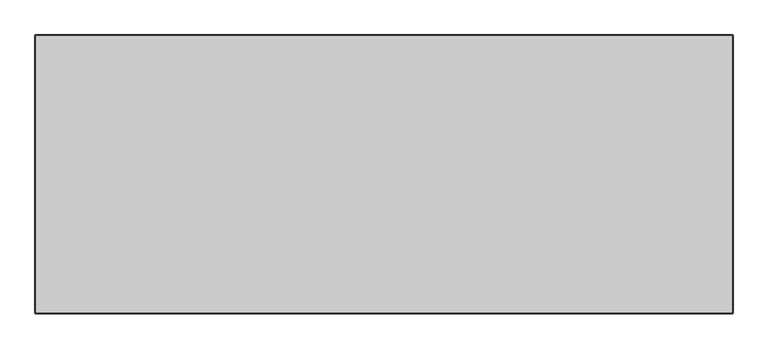
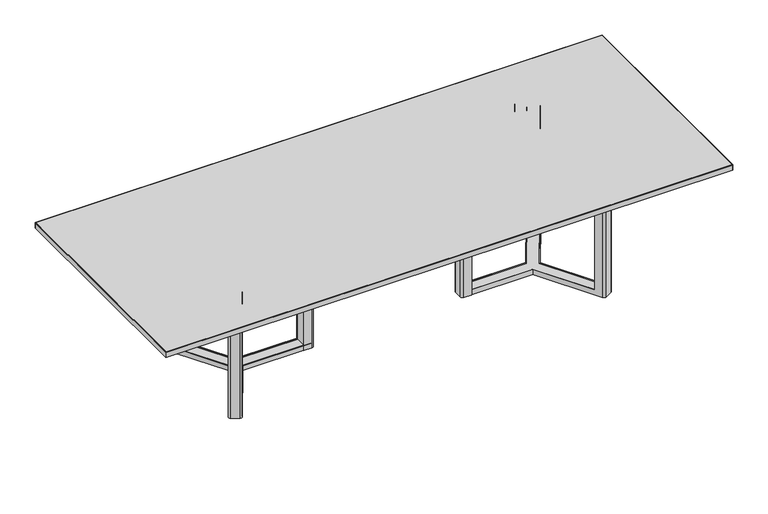
"""IFC4 building model written with IfcOpenShell, lengths in millimetres: furniture geometry."""

import ifcopenshell
import ifcopenshell.guid

model = None  # the IFC model being written
_history = None  # IfcOwnerHistory: only IFC2X3 demands one
_inside = {}  # id of a spatial element -> (the spatial element, [elements in it])
_under = {}  # id of a project, library or spatial element -> (it, [spatial elements below it])
_declared = {}  # id of a project -> (the project, [libraries it declares])
_typed = {}  # id of a type object -> (the type object, [elements of that type])
_made_of = {}  # id of a material, layer set ... -> (it, [elements and type objects made of it])


def new_model(schema):
    """Start an empty IFC model of exactly this schema.

    Asked for "IFC4X3", IfcOpenShell would pick the latest addendum, in which some entities
    have other attributes; the version numbers below select the first issue.
    IFC2X3 requires an IfcOwnerHistory on every rooted entity: one is made here for all.
    """
    global model, _history
    if schema == "IFC4X3":
        model = ifcopenshell.file(schema_version=(4, 3, 0, 0))
    else:
        model = ifcopenshell.file(schema=schema)
    _inside.clear()
    _under.clear()
    _declared.clear()
    _typed.clear()
    _made_of.clear()
    _history = None
    if model.schema == "IFC2X3":
        org = make("IfcOrganization", Name="unknown")
        user = make(
            "IfcPersonAndOrganization",
            ThePerson=make("IfcPerson", FamilyName="unknown"),
            TheOrganization=org,
        )
        app = make(
            "IfcApplication",
            ApplicationDeveloper=org,
            Version="unknown",
            ApplicationFullName="unknown",
            ApplicationIdentifier="unknown",
        )
        _history = make(
            "IfcOwnerHistory",
            OwningUser=user,
            OwningApplication=app,
            ChangeAction="ADDED",
            CreationDate=0,
        )
    return model


def make(cls, **values):
    """One entity of the class cls with the attributes given. An attribute that is None is left unset."""
    return model.create_entity(
        cls, **{name: value for name, value in values.items() if value is not None}
    )


def rooted(cls, **values):
    """An entity with a GlobalId (a new one), such as an element, a storey or a relation."""
    return make(cls, GlobalId=ifcopenshell.guid.new(), OwnerHistory=_history, **values)


def si_unit(unit_type, name, prefix=None):
    """IfcSIUnit, for example si_unit("LENGTHUNIT", "METRE", prefix="MILLI")."""
    return make("IfcSIUnit", UnitType=unit_type, Prefix=prefix, Name=name)


def assignment(units):
    """IfcUnitAssignment: the units of a project."""
    return None if units is None else make("IfcUnitAssignment", Units=units)


def point(xyz):
    """IfcCartesianPoint."""
    return None if xyz is None else make("IfcCartesianPoint", Coordinates=xyz)


def direction(xyz):
    """IfcDirection."""
    return None if xyz is None else make("IfcDirection", DirectionRatios=xyz)


def frame(location, z_axis=None, x_axis=None):
    """IfcAxis2Placement3D, a coordinate frame: its origin and axes. An axis left out is left unset."""
    return make(
        "IfcAxis2Placement3D",
        Location=point(location),
        Axis=direction(z_axis),
        RefDirection=direction(x_axis),
    )


def frame_2d(location, x_axis=None):
    """IfcAxis2Placement2D, a coordinate frame in the plane: its origin and x axis."""
    return make(
        "IfcAxis2Placement2D", Location=point(location), RefDirection=direction(x_axis)
    )


def origin():
    """The frame at (0, 0, 0) with its axes left unset."""
    return frame((0.0, 0.0, 0.0))


def origin_with_axes():
    """The frame at (0, 0, 0) with the z axis (0, 0, 1) and the x axis (1, 0, 0) written out."""
    return frame((0.0, 0.0, 0.0), z_axis=(0.0, 0.0, 1.0), x_axis=(1.0, 0.0, 0.0))


def place(relative_to, where):
    """IfcLocalPlacement: puts the frame where relative to a parent placement (None: the world)."""
    return make(
        "IfcLocalPlacement", PlacementRelTo=relative_to, RelativePlacement=where
    )


def context(
    kind, dimensions, precision=None, world=None, true_north=None, identifier=None
):
    """IfcGeometricRepresentationContext, for example the 3D "Model" context."""
    return make(
        "IfcGeometricRepresentationContext",
        ContextIdentifier=identifier,
        ContextType=kind,
        CoordinateSpaceDimension=dimensions,
        Precision=precision,
        WorldCoordinateSystem=world,
        TrueNorth=true_north,
    )


def project(units=None, contexts=None):
    """IfcProject with its units and contexts."""
    return rooted(
        "IfcProject",
        Name="project",
        RepresentationContexts=contexts,
        UnitsInContext=assignment(units),
    )


def spatial(cls, under=None, at=None, **own):
    """A site, building, storey or space (cls), placed at a placement, below another one or the project."""
    s = rooted(cls, ObjectPlacement=at, **own)
    if under is not None:
        _under.setdefault(under.id(), (under, []))[1].append(s)
    return s


def polyline(points):
    """IfcPolyline through the points."""
    return make("IfcPolyline", Points=[point(p) for p in points])


def circle_curve(where, radius):
    """IfcCircle in the frame where."""
    return make("IfcCircle", Position=where, Radius=radius)


def trimmed(basis, trim1, trim2, sense, master):
    """IfcTrimmedCurve: the piece of a basis curve between two trims."""
    return make(
        "IfcTrimmedCurve",
        BasisCurve=basis,
        Trim1=trim1,
        Trim2=trim2,
        SenseAgreement=sense,
        MasterRepresentation=master,
    )


def segment(curve, same_sense, transition):
    """IfcCompositeCurveSegment."""
    return make(
        "IfcCompositeCurveSegment",
        Transition=transition,
        SameSense=same_sense,
        ParentCurve=curve,
    )


def composite_curve(segments, self_intersect=None):
    """IfcCompositeCurve: segments joined end to end."""
    return make("IfcCompositeCurve", Segments=segments, SelfIntersect=self_intersect)


def outline(outer, holes=None, kind="AREA"):
    """IfcArbitraryClosedProfileDef: a profile drawn as a closed curve; with holes, ...WithVoids."""
    if holes is None:
        return make("IfcArbitraryClosedProfileDef", ProfileType=kind, OuterCurve=outer)
    return make(
        "IfcArbitraryProfileDefWithVoids",
        ProfileType=kind,
        OuterCurve=outer,
        InnerCurves=holes,
    )


def extrude(swept, where, along, depth):
    """IfcExtrudedAreaSolid: the profile swept, set in the frame where, extruded along a direction by depth."""
    return make(
        "IfcExtrudedAreaSolid",
        SweptArea=swept,
        Position=where,
        ExtrudedDirection=direction(along),
        Depth=depth,
    )


def shape(context_of_items, identifier, shape_type, items):
    """IfcShapeRepresentation: the items that make up one representation, for example the "Body"."""
    return make(
        "IfcShapeRepresentation",
        ContextOfItems=context_of_items,
        RepresentationIdentifier=identifier,
        RepresentationType=shape_type,
        Items=items,
    )


def source(mapping_origin, context_of_items, identifier, shape_type, items):
    """IfcRepresentationMap: a shape defined once, which mapped items show again and again."""
    return make(
        "IfcRepresentationMap",
        MappingOrigin=mapping_origin,
        MappedRepresentation=shape(context_of_items, identifier, shape_type, items),
    )


def transform(
    local_origin,
    x_axis=None,
    y_axis=None,
    z_axis=None,
    scale=None,
    scale2=None,
    scale3=None,
    uniform=True,
):
    """IfcCartesianTransformationOperator3D, or its non-uniform kind. x_axis, y_axis, z_axis: its Axis1, 2, 3."""
    if uniform:
        return make(
            "IfcCartesianTransformationOperator3D",
            Axis1=direction(x_axis),
            Axis2=direction(y_axis),
            LocalOrigin=point(local_origin),
            Scale=scale,
            Axis3=direction(z_axis),
        )
    return make(
        "IfcCartesianTransformationOperator3DnonUniform",
        Axis1=direction(x_axis),
        Axis2=direction(y_axis),
        LocalOrigin=point(local_origin),
        Scale=scale,
        Axis3=direction(z_axis),
        Scale2=scale2,
        Scale3=scale3,
    )


def mapped(mapping_source, mapping_target):
    """IfcMappedItem: shows the shape of a source again, moved by a transform."""
    return make(
        "IfcMappedItem", MappingSource=mapping_source, MappingTarget=mapping_target
    )


def made_of(thing, what):
    """Note that an element or type object is made of a material, layer set ...; save() writes the relation."""
    if what is not None:
        _made_of.setdefault(what.id(), (what, []))[1].append(thing)
    return thing


def element(
    cls,
    number,
    at=None,
    inside=None,
    cuts=None,
    type_object=None,
    material=None,
    context=None,
    identifier="Body",
    shape_type=None,
    held_by="IfcProductDefinitionShape",
    body=None,
    shapes=None,
    **own,
):
    """One element of the class cls, such as IfcWall. Its Tag is "e" and its number.

    at: its placement. inside: the storey or other place that contains it. cuts: it is an
    opening in that element (IfcRelVoidsElement). A single representation is given by context,
    identifier, shape_type and body (its items); several are given by shapes. held_by: the class
    of the entity that holds the representations. save() writes the other relations.
    """
    e = rooted(cls, Tag="e%d" % number, ObjectPlacement=at, **own)
    if body is not None:
        shapes = [shape(context, identifier, shape_type, body)]
    if shapes is not None:
        e.Representation = make(held_by, Representations=shapes)
    if inside is not None:
        _inside.setdefault(inside.id(), (inside, []))[1].append(e)
    if cuts is not None:
        rooted(
            "IfcRelVoidsElement", RelatingBuildingElement=cuts, RelatedOpeningElement=e
        )
    if type_object is not None:
        _typed.setdefault(type_object.id(), (type_object, []))[1].append(e)
    return made_of(e, material)


def aggregate(whole, parts):
    """IfcRelAggregates: a whole, such as a stair, and the parts it consists of."""
    return rooted("IfcRelAggregates", RelatingObject=whole, RelatedObjects=parts)


def save(model, path):
    """Write the relations noted so far, then the file.

    IfcRelAggregates (storeys below a building ...), IfcRelContainedInSpatialStructure (elements
    in a storey), IfcRelDefinesByType, IfcRelAssociatesMaterial and IfcRelDeclares: one each for
    every whole, place, type object, material and project.
    """
    for whole, parts in _under.values():
        aggregate(whole, parts)
    for where, things in _inside.values():
        rooted(
            "IfcRelContainedInSpatialStructure",
            RelatedElements=things,
            RelatingStructure=where,
        )
    for kind, things in _typed.values():
        rooted("IfcRelDefinesByType", RelatedObjects=things, RelatingType=kind)
    for what, things in _made_of.values():
        rooted("IfcRelAssociatesMaterial", RelatedObjects=things, RelatingMaterial=what)
    for by, libraries in _declared.values():
        rooted("IfcRelDeclares", RelatingContext=by, RelatedDefinitions=libraries)
    model.write(path)


def plane_surface(at):
    """IfcPlane: the flat surface through the origin of the frame at, square to its z axis."""
    return make("IfcPlane", Position=at)


def cylinder_surface(at, radius):
    """IfcCylindricalSurface: all points at the distance radius from the z axis of the frame at."""
    return make("IfcCylindricalSurface", Position=at, Radius=radius)


def advanced_brep(points, edges, surfaces, faces):
    """IfcAdvancedBrep: a solid bounded by faces that lie on surfaces and meet in shared edges.

    An edge is (start, end): straight between two places in points (the first is 0);
    or (start, end, curve); or (start, end, curve, False) where it runs against its curve.
    A face is (place in surfaces, loops), or (place, loops, False) where it looks against
    its surface's normal. A loop lists edges by number (the first is 1), with a minus sign
    where the edge is run from its end to its start. The first loop is the outer one.
    """
    corners = [point(p) for p in points]
    vertices = [make("IfcVertexPoint", VertexGeometry=c) for c in corners]
    made = []
    for start, end, *more in edges:
        made.append(
            make(
                "IfcEdgeCurve",
                EdgeStart=vertices[start],
                EdgeEnd=vertices[end],
                EdgeGeometry=more[0] if more else make("IfcPolyline", Points=[corners[start], corners[end]]),
                SameSense=more[1] if len(more) > 1 else True,
            )
        )
    hull = []
    for where, loops, *sense in faces:
        bounds = []
        for j, loop in enumerate(loops):
            ring = [make("IfcOrientedEdge", EdgeElement=made[abs(k) - 1], Orientation=k > 0) for k in loop]
            bounds.append(
                make(
                    "IfcFaceOuterBound" if j == 0 else "IfcFaceBound",
                    Bound=make("IfcEdgeLoop", EdgeList=ring),
                    Orientation=True,
                )
            )
        hull.append(make("IfcAdvancedFace", Bounds=bounds, FaceSurface=surfaces[where], SameSense=sense[0] if sense else True))
    return make("IfcAdvancedBrep", Outer=make("IfcClosedShell", CfsFaces=hull))


def furniture_a02de890(model_context):
    return source(origin(), model_context, "Body", "SolidModel", [
        extrude(outline(composite_curve([segment(trimmed(circle_curve(frame_2d((424.9891699, -2.164142)), 84.1373789), [point((424.9890408, -86.3015209))], [point((424.9892991, 81.9732369))], False, "CARTESIAN"), True, "CONTINUOUS"), segment(polyline([(424.9892991, 81.9732369), (480.3805653, 81.9731518)]), True, "CONTINUOUS"), segment(trimmed(circle_curve(frame_2d((480.3805458, 69.2731518)), 12.7), [point((480.3805653, 81.9731518))], [point((493.0805458, 69.2731518))], False, "CARTESIAN"), True, "CONTINUOUS"), segment(polyline([(493.0805458, 69.2731518), (493.0805458, -73.6016059)]), True, "CONTINUOUS"), segment(trimmed(circle_curve(frame_2d((480.3805458, -73.6016059)), 12.7), [point((493.0805458, -73.6016059))], [point((480.3805263, -86.3016059))], False, "CARTESIAN"), True, "CONTINUOUS"), segment(polyline([(480.3805263, -86.3016059), (424.9890408, -86.3015209)]), True, "CONTINUOUS")], self_intersect=False)), frame((0.0, 0.0, 685.8750439), z_axis=(0.0, 0.0, 1.0), x_axis=(1.0, 0.0, 0.0)), (0.0, 0.0, 1.0), 3.8101841),
        extrude(outline(composite_curve([segment(trimmed(circle_curve(frame_2d((418.6693575, -0.9160232)), 10.0763448), [point((418.6693575, -10.9923681))], [point((418.6693575, 9.1603216))], False, "CARTESIAN"), True, "CONTINUOUS"), segment(trimmed(circle_curve(frame_2d((418.6693575, -0.9160232)), 10.0763448), [point((418.6693575, 9.1603216))], [point((418.6693575, -10.9923681))], False, "CARTESIAN"), True, "CONTINUOUS")], self_intersect=False)), origin_with_axes(), (0.0, 0.0, 1.0), 3.8124459),
        extrude(outline(polyline([(407.67, 16.9498155), (407.67, -19.05), (428.6697896, -19.05), (428.6697896, -12.5499477), (431.1697939, -12.5499477), (431.1697939, -21.5500043), (405.1702012, -21.5500043), (405.1702012, 19.4498198), (431.1697939, 19.4498198), (431.1697939, 10.4501742), (428.6697896, 10.4501742), (428.6697896, 16.9498155), (407.67, 16.9498155)])), frame((0.0, 0.0, 3.8124459), z_axis=(0.0, 0.0, 1.0), x_axis=(1.0, 0.0, 0.0)), (0.0, 0.0, 1.0), 3.7267052),
        extrude(outline(composite_curve([segment(polyline([(447.3251936, -31.8666883), (450.3765429, -31.8666883), (450.3765429, -35.2678092), (408.5323823, -35.2678092)]), True, "CONTINUOUS"), segment(trimmed(circle_curve(frame_2d((408.5323823, -22.5678092)), 12.7), [point((408.5323823, -35.2678092))], [point((395.8323823, -22.5678092))], False, "CARTESIAN"), True, "CONTINUOUS"), segment(polyline([(395.8323823, -22.5678092), (395.8323823, 19.1225203)]), True, "CONTINUOUS"), segment(trimmed(circle_curve(frame_2d((408.5323823, 19.1225203)), 12.7), [point((395.8323823, 19.1225203))], [point((408.5323823, 31.8225203))], False, "CARTESIAN"), True, "CONTINUOUS"), segment(polyline([(408.5323823, 31.8225203), (451.1223422, 31.8225203), (451.1223422, 28.692494), (447.3251936, 28.692494), (447.3251936, -31.8666883)]), True, "CONTINUOUS")], self_intersect=False)), frame((0.0, 0.0, 7.539151), z_axis=(0.0, 0.0, 1.0), x_axis=(1.0, 0.0, 0.0)), (0.0, 0.0, 1.0), 678.3358929),
        advanced_brep(
        [(833.9581123, -2.5181157, 35.368931), (1001.0070738, 283.7218753, 35.368931), (1001.0070738, 283.7218753, 685.8750439), (1002.9076232, 286.9784848, 685.8750439), (1002.9076241, 286.9784863, 30.5884305), (833.9581123, -2.5181157, 30.5884305), (797.6622567, -60.452, 30.5884305), (797.6622567, -60.452, 35.3689158), (797.8981244, -60.452, 35.3689158), (797.8981244, -60.452, 30.5884305), (780.9799385, -31.8666883, 30.5884305), (780.9799385, -31.8666883, 35.3689158), (414.02, 31.8226995, 7.539151), (781.104121, 31.8226995, 7.539151), (780.6183496, 32.1061945, 7.539151), (965.5687176, 349.0204553, 7.539151), (984.1165698, 356.519998, 7.539151), (1020.1696019, 336.2308622, 7.539151), (1025.1131842, 318.7810653, 7.539151), (838.2, -1.4983164, 7.539151), (838.2, -3.5379149, 7.539151), (1027.0482065, -327.1311363, 7.539151), (1021.1678593, -342.4857559, 7.539151), (985.1148301, -362.7748928, 7.539151), (966.9984575, -356.5065207, 7.539151), (779.5240645, -35.2673577, 7.539151), (414.02, -35.2673577, 7.539151), (966.9984575, -356.5065207, 685.8750439), (946.4671592, -321.325945, 685.8750439), (946.4671592, -321.325945, 35.3689158), (779.5240645, -35.2673577, 35.3689158), (414.02, -35.2673577, 35.3689158), (949.2095172, -319.7255166, 35.3689158), (414.02, -31.8666883, 35.3689158), (949.2095172, -319.7255166, 685.8750439), (951.1241217, -323.0062097, 685.8750439), (951.1241217, -323.0062097, 30.5884305), (414.02, -31.8666883, 30.5884305), (1003.6899252, -293.3551981, 30.5884305), (950.3418205, 316.629498, 30.5884305), (782.3024864, 28.692494, 30.5884305), (414.02, 28.692494, 30.5884305), (838.2, -3.5379149, 30.5884305), (838.2, -1.4983164, 30.5884305), (836.394905, -0.4448674, 30.5884305), (1003.6899252, -293.3551981, 685.8750439), (1001.7912023, -290.1017183, 685.8750439), (1001.7912023, -290.1017183, 35.368931), (1004.5114575, -288.5141857, 35.368931), (836.394905, -0.4448674, 35.368931), (838.2, -1.4983164, 35.368931), (1003.7274311, 282.1345176, 35.368931), (1004.5114575, -288.5141857, 685.8750439), (1027.0482135, -327.1311323, 685.8750439), (1021.1678593, -342.4857559, 685.8750439), (985.1148301, -362.7748928, 685.8750439), (781.104121, 31.8226995, 35.368931), (780.6183496, 32.1061945, 35.3689158), (945.6830228, 314.9460885, 35.3689158), (945.6830228, 314.9460885, 685.8750439), (965.5687345, 349.0204454, 685.8750439), (1025.1139919, 318.7805939, 685.8750439), (1003.7274311, 282.1345177, 685.8750439), (1020.1696019, 336.2308622, 685.8750439), (984.1165698, 356.519998, 685.8750439), (948.4253808, 313.3456601, 685.8750439), (950.3418205, 316.629498, 685.8750439), (948.4253808, 313.3456601, 35.368931), (414.02, 28.692494, 35.368931), (414.02, 31.8226995, 35.368931), (782.3024864, 28.692494, 35.368931)],
        [
            (0, 1),
            (1, 2),
            (2, 3),
            (3, 4),
            (4, 5),
            (5, 0),
            (6, 7),
            (7, 8),
            (8, 9),
            (9, 6),
            (10, 11),
            (11, 7),
            (6, 10),
            (12, 13),
            (13, 14),
            (14, 15),
            (15, 16, circle_curve(frame((977.8146322, 345.4199113, 7.539151), z_axis=(0.0, 0.0, -1.0), x_axis=(-0.9999498574550038, -0.010014118818836794, 0.0)), 12.7642603)),
            (16, 17),
            (17, 18, circle_curve(frame((1013.9302254, 325.0380625, 7.539151), z_axis=(0.0, 0.0, -1.0), x_axis=(-0.9999498574550038, -0.010014118818836794, 0.0)), 12.8143897)),
            (18, 19),
            (19, 20),
            (20, 21),
            (21, 22, circle_curve(frame((1014.9284828, -331.2929606, 7.539151), z_axis=(0.0, 0.0, -1.0), x_axis=(-0.9999498574550038, 0.010014118818836794, 0.0)), 12.8143858)),
            (22, 23),
            (23, 24, circle_curve(frame((978.8128925, -351.6748061, 7.539151), z_axis=(0.0, 0.0, -1.0), x_axis=(-0.9999498574550038, 0.010014118818836794, 0.0)), 12.7642603)),
            (24, 25),
            (25, 26),
            (26, 12),
            (24, 27),
            (27, 28),
            (28, 29),
            (29, 30),
            (30, 25),
            (31, 30),
            (29, 32),
            (32, 8),
            (11, 33),
            (33, 31),
            (32, 34),
            (34, 35),
            (35, 36),
            (36, 9),
            (37, 10),
            (36, 38),
            (38, 5),
            (4, 39),
            (39, 40),
            (40, 41),
            (41, 37),
            (42, 43),
            (43, 44),
            (44, 42),
            (38, 45),
            (45, 46),
            (46, 47),
            (47, 0),
            (47, 48),
            (48, 49),
            (49, 50),
            (50, 51),
            (51, 1),
            (44, 49),
            (48, 52),
            (52, 53),
            (53, 21),
            (20, 42),
            (54, 53, circle_curve(frame((1014.9284828, -331.2929606, 685.8750439), z_axis=(0.0, 0.0, 1.0), x_axis=(-0.9999498574550038, 0.010014118818836794, 0.0)), 12.8143858)),
            (52, 46),
            (45, 35),
            (34, 28),
            (27, 55, circle_curve(frame((978.8128925, -351.6748061, 685.8750439), z_axis=(0.0, 0.0, 1.0), x_axis=(-0.9999498574550038, 0.010014118818836794, 0.0)), 12.7642603)),
            (55, 54),
            (55, 23),
            (22, 54),
            (43, 50),
            (13, 56),
            (56, 57),
            (57, 14),
            (57, 58),
            (58, 59),
            (59, 60),
            (60, 15),
            (43, 19),
            (18, 61),
            (61, 62),
            (62, 51),
            (63, 64),
            (64, 60, circle_curve(frame((977.8146322, 345.4199113, 685.8750439), z_axis=(0.0, 0.0, 1.0), x_axis=(-0.9999498574550038, -0.010014118818836794, 0.0)), 12.7642603)),
            (59, 65),
            (65, 66),
            (66, 3),
            (2, 62),
            (61, 63, circle_curve(frame((1013.9302254, 325.0380625, 685.8750439), z_axis=(0.0, 0.0, 1.0), x_axis=(-0.9999498574550038, -0.010014118818836794, 0.0)), 12.8143897)),
            (63, 17),
            (16, 64),
            (58, 67),
            (67, 65),
            (66, 39),
            (26, 31),
            (33, 37),
            (41, 68),
            (68, 69),
            (69, 12),
            (69, 56),
            (68, 70),
            (70, 67),
            (40, 70),
        ],
        [
            plane_surface(frame((833.8401785, -2.7201964, 30.5884305), z_axis=(-0.8636795592108902, 0.5040412870006608, 0.0), x_axis=(0.0, 0.0, 1.0))),
            plane_surface(frame((797.6622567, -60.452, 30.5884305), z_axis=(0.0, 1.0, 0.0), x_axis=(0.0, 0.0, 1.0))),
            plane_surface(frame((780.9799385, -31.8666883, 30.5884305), z_axis=(0.8636795592108913, 0.5040412870006589, 0.0), x_axis=(0.0, 0.0, 1.0))),
            plane_surface(frame((777.2159768, -31.3124276, 7.539151), z_axis=(0.0, 0.0, -1.0000000000000002), x_axis=(0.5040412870006608, -0.8636795592108902, 0.0))),
            plane_surface(frame((777.2159768, -31.3124276, 35.3689158), z_axis=(-0.8636795592108902, -0.5040412870006608, 0.0), x_axis=(0.5040412870006608, -0.8636795592108902, 0.0))),
            plane_surface(frame((779.9583326, -29.7119954, 35.3689158), z_axis=(0.0, 0.0, 1.0000000000000002), x_axis=(0.5040412870006609, -0.8636795592108902, 0.0))),
            plane_surface(frame((779.9583326, -29.7119954, 30.5884305), z_axis=(0.8636795592108902, 0.5040412870006609, 0.0), x_axis=(0.5040412870006609, -0.8636795592108902, 0.0))),
            plane_surface(frame((832.0773728, 0.7045495, 30.5884305), z_axis=(0.0, 0.0, 1.0000000000000002), x_axis=(0.5040412870006608, -0.8636795592108902, 0.0))),
            plane_surface(frame((832.0773728, 0.7045495, 35.368931), z_axis=(-0.8636795592108902, -0.5040412870006608, 0.0), x_axis=(0.5040412870006608, -0.8636795592108902, 0.0))),
            plane_surface(frame((834.7976272, 2.2920833, 35.368931), z_axis=(0.0, 0.0, 1.0000000000000002), x_axis=(0.5040412870006608, -0.8636795592108902, 0.0))),
            plane_surface(frame((834.7976272, 2.2920833, 7.539151), z_axis=(0.8636795592108902, 0.5040412870006608, 0.0), x_axis=(0.5040412870006608, -0.8636795592108902, 0.0))),
            plane_surface(frame((1109.3500805, -143.3705896, 685.8750439), z_axis=(0.0, 0.0, 1.0), x_axis=(-0.9999498574550038, 0.010014118818836794, 0.0))),
            plane_surface(frame((1021.1678593, -342.4857559, 685.8750439), z_axis=(0.49043214549689057, -0.8714793805152918, 0.0), x_axis=(0.0, 0.0, -1.0))),
            cylinder_surface(frame((978.8128925, -351.6748061, 685.8750439), z_axis=(0.0, 0.0, 1.0), x_axis=(-0.9999498574550038, 0.010014118818836794, 0.0)), 12.7642603),
            plane_surface(frame((946.4671592, -321.325945, 685.8750439), z_axis=(-0.5040401062643961, 0.8636802482846162, 0.0), x_axis=(0.0, 0.0, -1.0))),
            plane_surface(frame((1001.7912031, -290.1017178, 685.8750439), z_axis=(-0.5040408581008764, 0.8636798095156168, 0.0), x_axis=(0.0, 0.0, -1.0))),
            cylinder_surface(frame((1014.9284828, -331.2929606, 685.8750439), z_axis=(0.0, 0.0, 1.0), x_axis=(-0.9999498574550038, 0.010014118818836794, 0.0)), 12.8143858),
            plane_surface(frame((951.1241217, -323.0062097, 685.8750439), z_axis=(-0.49130242136202984, 0.8709890531825338, 0.0), x_axis=(0.0, 0.0, -1.0))),
            plane_surface(frame((809.1845063, 15.435055, 7.539151), z_axis=(-0.5040412870006606, -0.8636795592108902, 0.0), x_axis=(-0.8636795592108902, 0.5040412870006606, 0.0))),
            plane_surface(frame((780.6183496, 32.1061945, 7.539151), z_axis=(-0.8636795592108902, 0.5040412870006609, 0.0), x_axis=(0.5040412870006609, 0.8636795592108902, 0.0))),
            plane_surface(frame((838.2, -1.4983164, 35.368931), z_axis=(0.8636795592108903, -0.5040412870006605, 0.0), x_axis=(0.5040412870006605, 0.8636795592108903, 0.0))),
            plane_surface(frame((1111.3143589, 142.2242415, 685.8750439), z_axis=(0.0, 0.0, 1.0), x_axis=(-0.9999498574550038, -0.010014118818836794, 0.0))),
            plane_surface(frame((984.1165698, 356.519998, 685.8750439), z_axis=(0.49043209570867796, 0.8714794085340136, 0.0), x_axis=(0.0, 0.0, -1.0))),
            cylinder_surface(frame((977.8146322, 345.4199113, 685.8750439), z_axis=(0.0, 0.0, 1.0), x_axis=(-0.9999498574550038, -0.010014118818836794, 0.0)), 12.7642603),
            plane_surface(frame((948.4253808, 313.3456601, 685.8750439), z_axis=(-0.5040401062643961, -0.8636802482846162, 0.0), x_axis=(0.0, 0.0, -1.0))),
            plane_surface(frame((1003.7289967, 282.133604, 685.8750439), z_axis=(-0.5039853518327021, -0.8637122004105693, 0.0), x_axis=(0.0, 0.0, -1.0))),
            cylinder_surface(frame((1013.9302254, 325.0380625, 685.8750439), z_axis=(0.0, 0.0, 1.0), x_axis=(-0.9999498574550038, -0.010014118818836794, 0.0)), 12.8143897),
            plane_surface(frame((1002.9075177, 286.9785463, 685.8750439), z_axis=(-0.4913024215602794, -0.8709890530707063, 0.0), x_axis=(0.0, 0.0, -1.0))),
            plane_surface(frame((414.02, 31.8226995, 35.3689158), z_axis=(-1.0, 0.0, 0.0), x_axis=(0.0, 0.0, 1.0))),
            plane_surface(frame((838.2, 31.8226995, 35.3689158), z_axis=(1.0, 0.0, 0.0), x_axis=(0.0, 0.0, -1.0))),
            plane_surface(frame((414.02, 31.8226995, 7.539151), z_axis=(0.0, 1.0, 0.0), x_axis=(1.0, 0.0, 0.0))),
            plane_surface(frame((414.02, 31.8226995, 35.368931), z_axis=(0.0, 0.0, 1.0), x_axis=(1.0, 0.0, 0.0))),
            plane_surface(frame((414.02, 28.692494, 35.368931), z_axis=(0.0, -1.0, 0.0), x_axis=(1.0, 0.0, 0.0))),
            plane_surface(frame((414.02, -31.8666883, 30.5884305), z_axis=(0.0, 1.0, 0.0), x_axis=(1.0, 0.0, 0.0))),
            plane_surface(frame((414.02, -35.2673577, 35.368931), z_axis=(0.0, -1.0, 0.0), x_axis=(1.0, 0.0, 0.0))),
            plane_surface(frame((800.8372567, 60.452, 30.5884305), z_axis=(0.8636795592108901, -0.504041287000661, 0.0), x_axis=(0.0, 0.0, 1.0))),
        ],
        [
            (0, [[1, 2, 3, 4, 5, 6]]),
            (1, [[7, 8, 9, 10]]),
            (2, [[11, 12, -7, 13]]),
            (3, [[14, 15, 16, 17, 18, 19, 20, 21, 22, 23, 24, 25, 26, 27, 28]]),
            (4, [[-26, 29, 30, 31, 32, 33]]),
            (5, [[34, -32, 35, 36, -8, -12, 37, 38]]),
            (6, [[-36, 39, 40, 41, 42, -9]]),
            (7, [[43, -13, -10, -42, 44, 45, -5, 46, 47, 48, 49]]),
            (7, [[50, 51, 52]]),
            (8, [[-45, 53, 54, 55, 56, -6]]),
            (9, [[57, 58, 59, 60, 61, -1, -56]]),
            (10, [[-52, 62, -58, 63, 64, 65, -22, 66]]),
            (11, [[67, -64, 68, -54, 69, -40, 70, -30, 71, 72]]),
            (12, [[73, -24, 74, -72]]),
            (13, [[-29, -25, -73, -71]]),
            (14, [[-39, -35, -31, -70]]),
            (15, [[-63, -57, -55, -68]]),
            (16, [[-74, -23, -65, -67]]),
            (17, [[-53, -44, -41, -69]]),
            (18, [[-62, -51, 75, -59]]),
            (18, [[-15, 76, 77, 78]]),
            (19, [[79, 80, 81, 82, -16, -78]]),
            (20, [[83, -20, 84, 85, 86, -60, -75]]),
            (21, [[87, 88, -81, 89, 90, 91, -3, 92, -85, 93]]),
            (22, [[94, -18, 95, -87]]),
            (23, [[-95, -17, -82, -88]]),
            (24, [[-80, 96, 97, -89]]),
            (25, [[-2, -61, -86, -92]]),
            (26, [[-84, -19, -94, -93]]),
            (27, [[-46, -4, -91, 98]]),
            (28, [[-28, 99, -38, 100, -49, 101, 102, 103]]),
            (29, [[-21, -83, -50, -66]]),
            (30, [[104, -76, -14, -103]]),
            (31, [[105, 106, -96, -79, -77, -104, -102]]),
            (32, [[-48, 107, -105, -101]]),
            (33, [[-37, -11, -43, -100]]),
            (34, [[-27, -33, -34, -99]]),
            (35, [[-47, -98, -90, -97, -106, -107]]),
        ],
    ),
        extrude(outline(polyline([(1017.8043259, 330.5337051), (1004.8045296, 308.0173973), (997.0106079, 312.5172201), (998.2606101, 314.6822873), (1003.8894645, 311.4324667), (1014.3893593, 329.618818), (983.2126045, 347.6187257), (972.7127097, 329.4323745), (978.3419202, 326.1823483), (977.091918, 324.0172811), (969.2976403, 328.5173094), (982.2974367, 351.0336171), (1017.8043259, 330.5337051)])), frame((0.0, 0.0, 3.8124459), z_axis=(0.0, 0.0, 1.0), x_axis=(1.0, 0.0, 0.0)), (0.0, 0.0, 1.0), 3.2441957),
        extrude(outline(polyline([(1018.685384, -338.6165227), (983.1784947, -359.1164348), (970.1786984, -336.600127), (977.9729761, -332.1000987), (979.2229782, -334.265166), (973.5937678, -337.5151921), (984.0936626, -355.7015434), (1015.2704173, -337.7016356), (1004.7705225, -319.5152844), (999.1416681, -322.765105), (997.8916659, -320.6000377), (1005.6855876, -316.100215), (1018.685384, -338.6165227)])), frame((0.0, 0.0, 3.8124459), z_axis=(0.0, 0.0, 1.0), x_axis=(1.0, 0.0, 0.0)), (0.0, 0.0, 1.0), 3.2441957),
        extrude(outline(composite_curve([segment(trimmed(circle_curve(frame_2d((991.7653413, 329.5643815)), 10.0763448), [point((991.7653413, 339.6407264))], [point((991.7653413, 319.4880367))], False, "CARTESIAN"), True, "CONTINUOUS"), segment(trimmed(circle_curve(frame_2d((991.7653413, 329.5643815)), 10.0763448), [point((991.7653413, 319.4880367))], [point((991.7653413, 339.6407264))], False, "CARTESIAN"), True, "CONTINUOUS")], self_intersect=False)), origin_with_axes(), (0.0, 0.0, 1.0), 3.8124459),
        extrude(outline(composite_curve([segment(trimmed(circle_curve(frame_2d((992.6662083, -337.7621522)), 10.0763448), [point((992.6662083, -327.6858074))], [point((992.6662083, -347.8384971))], False, "CARTESIAN"), True, "CONTINUOUS"), segment(trimmed(circle_curve(frame_2d((992.6662083, -337.7621522)), 10.0763448), [point((992.6662083, -347.8384971))], [point((992.6662083, -327.6858074))], False, "CARTESIAN"), True, "CONTINUOUS")], self_intersect=False)), origin_with_axes(), (0.0, 0.0, 1.0), 3.8124459),
        extrude(outline(composite_curve([segment(polyline([(1058.191234, 279.3845996), (1030.4955649, 231.4141235)]), True, "CONTINUOUS"), segment(trimmed(circle_curve(frame_2d((1019.4970325, 237.7641066)), 12.7), [point((1030.4955649, 231.4141235))], [point((1013.1470325, 226.765584))], False, "CARTESIAN"), True, "CONTINUOUS"), segment(polyline([(1013.1470325, 226.765584), (889.4138627, 298.2029628)]), True, "CONTINUOUS"), segment(trimmed(circle_curve(frame_2d((895.7638627, 309.2014855)), 12.7), [point((889.4138627, 298.2029628))], [point((884.7653303, 315.5514686))], False, "CARTESIAN"), True, "CONTINUOUS"), segment(polyline([(884.7653303, 315.5514686), (912.4608898, 363.5217548)]), True, "CONTINUOUS"), segment(trimmed(circle_curve(frame_2d((985.3260619, 321.4531772)), 84.1373789), [point((912.4608898, 363.5217548))], [point((1058.191234, 279.3845996))], False, "CARTESIAN"), True, "CONTINUOUS")], self_intersect=False)), frame((0.0, 0.0, 685.8750439), z_axis=(0.0, 0.0, 1.0), x_axis=(1.0, 0.0, 0.0)), (0.0, 0.0, 1.0), 3.8101841),
        extrude(outline(composite_curve([segment(trimmed(circle_curve(frame_2d((987.9462133, -328.1839045)), 84.1373789), [point((1060.8113853, -286.1153269))], [point((915.0810412, -370.2524821))], False, "CARTESIAN"), True, "CONTINUOUS"), segment(polyline([(915.0810412, -370.2524821), (887.3854817, -322.2821959)]), True, "CONTINUOUS"), segment(trimmed(circle_curve(frame_2d((898.3840141, -315.9322128)), 12.7), [point((887.3854817, -322.2821959))], [point((892.0340141, -304.9336901))], False, "CARTESIAN"), True, "CONTINUOUS"), segment(polyline([(892.0340141, -304.9336901), (1015.7671838, -233.4963113)]), True, "CONTINUOUS"), segment(trimmed(circle_curve(frame_2d((1022.1171838, -244.4948339)), 12.7), [point((1015.7671838, -233.4963113))], [point((1033.1157162, -238.1448508))], False, "CARTESIAN"), True, "CONTINUOUS"), segment(polyline([(1033.1157162, -238.1448508), (1060.8113853, -286.1153269)]), True, "CONTINUOUS")], self_intersect=False)), frame((0.0, 0.0, 685.8750439), z_axis=(0.0, 0.0, 1.0), x_axis=(1.0, 0.0, 0.0)), (0.0, 0.0, 1.0), 3.8101841),
        extrude(outline(composite_curve([segment(polyline([(-424.9890408, -86.3015209), (-480.3805263, -86.3016059)]), True, "CONTINUOUS"), segment(trimmed(circle_curve(frame_2d((-480.3805458, -73.6016059)), 12.7), [point((-480.3805263, -86.3016059))], [point((-493.0805458, -73.6016059))], False, "CARTESIAN"), True, "CONTINUOUS"), segment(polyline([(-493.0805458, -73.6016059), (-493.0805458, 69.2731518)]), True, "CONTINUOUS"), segment(trimmed(circle_curve(frame_2d((-480.3805458, 69.2731518)), 12.7), [point((-493.0805458, 69.2731518))], [point((-480.3805653, 81.9731518))], False, "CARTESIAN"), True, "CONTINUOUS"), segment(polyline([(-480.3805653, 81.9731518), (-424.9892991, 81.9732369)]), True, "CONTINUOUS"), segment(trimmed(circle_curve(frame_2d((-424.9891699, -2.164142)), 84.1373789), [point((-424.9892991, 81.9732369))], [point((-424.9890408, -86.3015209))], False, "CARTESIAN"), True, "CONTINUOUS")], self_intersect=False)), frame((0.0, 0.0, 685.8750439), z_axis=(0.0, 0.0, 1.0), x_axis=(1.0, 0.0, 0.0)), (0.0, 0.0, 1.0), 3.8101841),
        extrude(outline(composite_curve([segment(trimmed(circle_curve(frame_2d((-418.6693575, -0.9160232)), 10.0763448), [point((-418.6693575, -10.9923681))], [point((-418.6693575, 9.1603216))], False, "CARTESIAN"), True, "CONTINUOUS"), segment(trimmed(circle_curve(frame_2d((-418.6693575, -0.9160232)), 10.0763448), [point((-418.6693575, 9.1603216))], [point((-418.6693575, -10.9923681))], False, "CARTESIAN"), True, "CONTINUOUS")], self_intersect=False)), origin_with_axes(), (0.0, 0.0, 1.0), 3.8124459),
        extrude(outline(polyline([(-407.67, 16.9498155), (-428.6697896, 16.9498155), (-428.6697896, 10.4501742), (-431.1697939, 10.4501742), (-431.1697939, 19.4498198), (-405.1702012, 19.4498198), (-405.1702012, -21.5500043), (-431.1697939, -21.5500043), (-431.1697939, -12.5499477), (-428.6697896, -12.5499477), (-428.6697896, -19.05), (-407.67, -19.05), (-407.67, 16.9498155)])), frame((0.0, 0.0, 3.8124459), z_axis=(0.0, 0.0, 1.0), x_axis=(1.0, 0.0, 0.0)), (0.0, 0.0, 1.0), 3.7267052),
        extrude(outline(composite_curve([segment(polyline([(-447.3251936, -31.8666883), (-447.3251936, 28.692494), (-451.1223422, 28.692494), (-451.1223422, 31.8225203), (-408.5323823, 31.8225203)]), True, "CONTINUOUS"), segment(trimmed(circle_curve(frame_2d((-408.5323823, 19.1225203)), 12.7), [point((-408.5323823, 31.8225203))], [point((-395.8323823, 19.1225203))], False, "CARTESIAN"), True, "CONTINUOUS"), segment(polyline([(-395.8323823, 19.1225203), (-395.8323823, -22.5678092)]), True, "CONTINUOUS"), segment(trimmed(circle_curve(frame_2d((-408.5323823, -22.5678092)), 12.7), [point((-395.8323823, -22.5678092))], [point((-408.5323823, -35.2678092))], False, "CARTESIAN"), True, "CONTINUOUS"), segment(polyline([(-408.5323823, -35.2678092), (-450.3765429, -35.2678092), (-450.3765429, -31.8666883), (-447.3251936, -31.8666883)]), True, "CONTINUOUS")], self_intersect=False)), frame((0.0, 0.0, 7.539151), z_axis=(0.0, 0.0, 1.0), x_axis=(1.0, 0.0, 0.0)), (0.0, 0.0, 1.0), 678.3358929),
        advanced_brep(
        [(-833.9581123, -2.5181157, 35.368931), (-833.9581123, -2.5181157, 30.5884305), (-1002.9076241, 286.9784863, 30.5884305), (-1002.9076232, 286.9784848, 685.8750439), (-1001.0070738, 283.7218753, 685.8750439), (-1001.0070738, 283.7218753, 35.368931), (-797.6622567, -60.452, 30.5884305), (-797.8981244, -60.452, 30.5884305), (-797.8981244, -60.452, 35.3689158), (-797.6622567, -60.452, 35.3689158), (-780.9799385, -31.8666883, 30.5884305), (-780.9799385, -31.8666883, 35.3689158), (-414.02, 31.8226995, 7.539151), (-414.02, -35.2673577, 7.539151), (-779.5240645, -35.2673577, 7.539151), (-966.9984575, -356.5065207, 7.539151), (-985.1148301, -362.7748928, 7.539151), (-1021.1678593, -342.4857559, 7.539151), (-1027.0482065, -327.1311363, 7.539151), (-838.2, -3.5379149, 7.539151), (-838.2, -1.4983164, 7.539151), (-1025.1131842, 318.7810653, 7.539151), (-1020.1696019, 336.2308622, 7.539151), (-984.1165698, 356.519998, 7.539151), (-965.5687176, 349.0204553, 7.539151), (-780.6183496, 32.1061945, 7.539151), (-781.104121, 31.8226995, 7.539151), (-779.5240645, -35.2673577, 35.3689158), (-946.4671592, -321.325945, 35.3689158), (-946.4671592, -321.325945, 685.8750439), (-966.9984575, -356.5065207, 685.8750439), (-414.02, -35.2673577, 35.3689158), (-414.02, -31.8666883, 35.3689158), (-949.2095172, -319.7255166, 35.3689158), (-951.1241217, -323.0062097, 30.5884305), (-951.1241217, -323.0062097, 685.8750439), (-949.2095172, -319.7255166, 685.8750439), (-838.2, -3.5379149, 30.5884305), (-836.394905, -0.4448674, 30.5884305), (-838.2, -1.4983164, 30.5884305), (-414.02, -31.8666883, 30.5884305), (-414.02, 28.692494, 30.5884305), (-782.3024864, 28.692494, 30.5884305), (-950.3418205, 316.629498, 30.5884305), (-1003.6899252, -293.3551981, 30.5884305), (-1001.7912023, -290.1017183, 35.368931), (-1001.7912023, -290.1017183, 685.8750439), (-1003.6899252, -293.3551981, 685.8750439), (-1003.7274311, 282.1345176, 35.368931), (-838.2, -1.4983164, 35.368931), (-836.394905, -0.4448674, 35.368931), (-1004.5114575, -288.5141857, 35.368931), (-1027.0482135, -327.1311323, 685.8750439), (-1004.5114575, -288.5141857, 685.8750439), (-1021.1678593, -342.4857559, 685.8750439), (-985.1148301, -362.7748928, 685.8750439), (-780.6183496, 32.1061945, 35.3689158), (-781.104121, 31.8226995, 35.368931), (-965.5687345, 349.0204454, 685.8750439), (-945.6830228, 314.9460885, 685.8750439), (-945.6830228, 314.9460885, 35.368931), (-1003.7274311, 282.1345177, 685.8750439), (-1025.1139919, 318.7805939, 685.8750439), (-1020.1696019, 336.2308622, 685.8750439), (-950.3418205, 316.629498, 685.8750439), (-948.4253808, 313.3456601, 685.8750439), (-984.1165698, 356.519998, 685.8750439), (-948.4253808, 313.3456601, 35.368931), (-414.02, 31.8226995, 35.368931), (-414.02, 28.692494, 35.368931), (-782.3024864, 28.692494, 35.368931)],
        [
            (0, 1),
            (1, 2),
            (2, 3),
            (3, 4),
            (4, 5),
            (5, 0),
            (6, 7),
            (7, 8),
            (8, 9),
            (9, 6),
            (10, 6),
            (9, 11),
            (11, 10),
            (12, 13),
            (13, 14),
            (14, 15),
            (15, 16, circle_curve(frame((-978.8128925, -351.6748061, 7.539151), z_axis=(0.0, 0.0, -1.0), x_axis=(0.9999498574550038, 0.010014118818836794, 0.0)), 12.7642603)),
            (16, 17),
            (17, 18, circle_curve(frame((-1014.9284828, -331.2929606, 7.539151), z_axis=(0.0, 0.0, -1.0), x_axis=(0.9999498574550038, 0.010014118818836794, 0.0)), 12.8143858)),
            (18, 19),
            (19, 20),
            (20, 21),
            (21, 22, circle_curve(frame((-1013.9302254, 325.0380625, 7.539151), z_axis=(0.0, 0.0, -1.0), x_axis=(0.9999498574550038, -0.010014118818836794, 0.0)), 12.8143897)),
            (22, 23),
            (23, 24, circle_curve(frame((-977.8146322, 345.4199113, 7.539151), z_axis=(0.0, 0.0, -1.0), x_axis=(0.9999498574550038, -0.010014118818836794, 0.0)), 12.7642603)),
            (24, 25),
            (25, 26),
            (26, 12),
            (14, 27),
            (27, 28),
            (28, 29),
            (29, 30),
            (30, 15),
            (31, 32),
            (32, 11),
            (8, 33),
            (33, 28),
            (27, 31),
            (7, 34),
            (34, 35),
            (35, 36),
            (36, 33),
            (37, 38),
            (38, 39),
            (39, 37),
            (40, 41),
            (41, 42),
            (42, 43),
            (43, 2),
            (1, 44),
            (44, 34),
            (10, 40),
            (0, 45),
            (45, 46),
            (46, 47),
            (47, 44),
            (5, 48),
            (48, 49),
            (49, 50),
            (50, 51),
            (51, 45),
            (37, 19),
            (18, 52),
            (52, 53),
            (53, 51),
            (50, 38),
            (54, 55),
            (55, 30, circle_curve(frame((-978.8128925, -351.6748061, 685.8750439), z_axis=(0.0, 0.0, 1.0), x_axis=(0.9999498574550038, 0.010014118818836794, 0.0)), 12.7642603)),
            (29, 36),
            (35, 47),
            (46, 53),
            (52, 54, circle_curve(frame((-1014.9284828, -331.2929606, 685.8750439), z_axis=(0.0, 0.0, 1.0), x_axis=(0.9999498574550038, 0.010014118818836794, 0.0)), 12.8143858)),
            (54, 17),
            (16, 55),
            (49, 39),
            (25, 56),
            (56, 57),
            (57, 26),
            (24, 58),
            (58, 59),
            (59, 60),
            (60, 56),
            (48, 61),
            (61, 62),
            (62, 21),
            (20, 39),
            (63, 62, circle_curve(frame((-1013.9302254, 325.0380625, 685.8750439), z_axis=(0.0, 0.0, 1.0), x_axis=(0.9999498574550038, -0.010014118818836794, 0.0)), 12.8143897)),
            (61, 4),
            (3, 64),
            (64, 65),
            (65, 59),
            (58, 66, circle_curve(frame((-977.8146322, 345.4199113, 685.8750439), z_axis=(0.0, 0.0, 1.0), x_axis=(0.9999498574550038, -0.010014118818836794, 0.0)), 12.7642603)),
            (66, 63),
            (66, 23),
            (22, 63),
            (65, 67),
            (67, 60),
            (43, 64),
            (12, 68),
            (68, 69),
            (69, 41),
            (40, 32),
            (31, 13),
            (57, 68),
            (67, 70),
            (70, 69),
            (70, 42),
        ],
        [
            plane_surface(frame((-833.8401785, -2.7201964, 30.5884305), z_axis=(0.8636795592108902, 0.5040412870006608, 0.0), x_axis=(0.0, 0.0, 1.0))),
            plane_surface(frame((-797.6622567, -60.452, 30.5884305), z_axis=(0.0, 1.0, 0.0), x_axis=(0.0, 0.0, 1.0))),
            plane_surface(frame((-780.9799385, -31.8666883, 30.5884305), z_axis=(-0.8636795592108913, 0.5040412870006589, 0.0), x_axis=(0.0, 0.0, 1.0))),
            plane_surface(frame((-777.2159768, -31.3124276, 7.539151), z_axis=(0.0, 0.0, -1.0000000000000002), x_axis=(-0.5040412870006608, -0.8636795592108902, 0.0))),
            plane_surface(frame((-777.2159768, -31.3124276, 35.3689158), z_axis=(0.8636795592108902, -0.5040412870006608, 0.0), x_axis=(-0.5040412870006608, -0.8636795592108902, 0.0))),
            plane_surface(frame((-779.9583326, -29.7119954, 35.3689158), z_axis=(0.0, 0.0, 1.0000000000000002), x_axis=(-0.5040412870006609, -0.8636795592108902, 0.0))),
            plane_surface(frame((-779.9583326, -29.7119954, 30.5884305), z_axis=(-0.8636795592108902, 0.5040412870006609, 0.0), x_axis=(-0.5040412870006609, -0.8636795592108902, 0.0))),
            plane_surface(frame((-832.0773728, 0.7045495, 30.5884305), z_axis=(0.0, 0.0, 1.0000000000000002), x_axis=(-0.5040412870006608, -0.8636795592108902, 0.0))),
            plane_surface(frame((-832.0773728, 0.7045495, 35.368931), z_axis=(0.8636795592108902, -0.5040412870006608, 0.0), x_axis=(-0.5040412870006608, -0.8636795592108902, 0.0))),
            plane_surface(frame((-834.7976272, 2.2920833, 35.368931), z_axis=(0.0, 0.0, 1.0000000000000002), x_axis=(-0.5040412870006608, -0.8636795592108902, 0.0))),
            plane_surface(frame((-834.7976272, 2.2920833, 7.539151), z_axis=(-0.8636795592108902, 0.5040412870006608, 0.0), x_axis=(-0.5040412870006608, -0.8636795592108902, 0.0))),
            plane_surface(frame((-1109.3500805, -143.3705896, 685.8750439), z_axis=(0.0, 0.0, 1.0), x_axis=(0.9999498574550038, 0.010014118818836794, 0.0))),
            plane_surface(frame((-1021.1678593, -342.4857559, 685.8750439), z_axis=(-0.49043214549689057, -0.8714793805152918, 0.0), x_axis=(0.0, 0.0, -1.0))),
            cylinder_surface(frame((-978.8128925, -351.6748061, 685.8750439), z_axis=(0.0, 0.0, 1.0), x_axis=(0.9999498574550038, 0.010014118818836794, 0.0)), 12.7642603),
            plane_surface(frame((-946.4671592, -321.325945, 685.8750439), z_axis=(0.5040401062643961, 0.8636802482846162, 0.0), x_axis=(0.0, 0.0, -1.0))),
            plane_surface(frame((-1001.7912031, -290.1017178, 685.8750439), z_axis=(0.5040408581008764, 0.8636798095156168, 0.0), x_axis=(0.0, 0.0, -1.0))),
            cylinder_surface(frame((-1014.9284828, -331.2929606, 685.8750439), z_axis=(0.0, 0.0, 1.0), x_axis=(0.9999498574550038, 0.010014118818836794, 0.0)), 12.8143858),
            plane_surface(frame((-951.1241217, -323.0062097, 685.8750439), z_axis=(0.49130242136202984, 0.8709890531825338, 0.0), x_axis=(0.0, 0.0, -1.0))),
            plane_surface(frame((-809.1845063, 15.435055, 7.539151), z_axis=(0.5040412870006606, -0.8636795592108902, 0.0), x_axis=(0.8636795592108902, 0.5040412870006606, 0.0))),
            plane_surface(frame((-780.6183496, 32.1061945, 7.539151), z_axis=(0.8636795592108902, 0.5040412870006609, 0.0), x_axis=(-0.5040412870006609, 0.8636795592108902, 0.0))),
            plane_surface(frame((-838.2, -1.4983164, 35.368931), z_axis=(-0.8636795592108903, -0.5040412870006605, 0.0), x_axis=(-0.5040412870006605, 0.8636795592108903, 0.0))),
            plane_surface(frame((-1111.3143589, 142.2242415, 685.8750439), z_axis=(0.0, 0.0, 1.0), x_axis=(0.9999498574550038, -0.010014118818836794, 0.0))),
            plane_surface(frame((-984.1165698, 356.519998, 685.8750439), z_axis=(-0.49043209570867796, 0.8714794085340136, 0.0), x_axis=(0.0, 0.0, -1.0))),
            cylinder_surface(frame((-977.8146322, 345.4199113, 685.8750439), z_axis=(0.0, 0.0, 1.0), x_axis=(0.9999498574550038, -0.010014118818836794, 0.0)), 12.7642603),
            plane_surface(frame((-948.4253808, 313.3456601, 685.8750439), z_axis=(0.5040401062643961, -0.8636802482846162, 0.0), x_axis=(0.0, 0.0, -1.0))),
            plane_surface(frame((-1003.7289967, 282.133604, 685.8750439), z_axis=(0.5039853518327021, -0.8637122004105693, 0.0), x_axis=(0.0, 0.0, -1.0))),
            cylinder_surface(frame((-1013.9302254, 325.0380625, 685.8750439), z_axis=(0.0, 0.0, 1.0), x_axis=(0.9999498574550038, -0.010014118818836794, 0.0)), 12.8143897),
            plane_surface(frame((-1002.9075177, 286.9785463, 685.8750439), z_axis=(0.4913024215602794, -0.8709890530707063, 0.0), x_axis=(0.0, 0.0, -1.0))),
            plane_surface(frame((-414.02, 31.8226995, 35.3689158), z_axis=(1.0, 0.0, 0.0), x_axis=(0.0, 0.0, 1.0))),
            plane_surface(frame((-838.2, 31.8226995, 35.3689158), z_axis=(-1.0, 0.0, 0.0), x_axis=(0.0, 0.0, -1.0))),
            plane_surface(frame((-414.02, 31.8226995, 7.539151), z_axis=(0.0, 1.0, 0.0), x_axis=(-1.0, 0.0, 0.0))),
            plane_surface(frame((-414.02, 31.8226995, 35.368931), z_axis=(0.0, 0.0, 1.0), x_axis=(-1.0, 0.0, 0.0))),
            plane_surface(frame((-414.02, 28.692494, 35.368931), z_axis=(0.0, -1.0, 0.0), x_axis=(-1.0, 0.0, 0.0))),
            plane_surface(frame((-414.02, -31.8666883, 30.5884305), z_axis=(0.0, 1.0, 0.0), x_axis=(-1.0, 0.0, 0.0))),
            plane_surface(frame((-414.02, -35.2673577, 35.368931), z_axis=(0.0, -1.0, 0.0), x_axis=(-1.0, 0.0, 0.0))),
            plane_surface(frame((-800.8372567, 60.452, 30.5884305), z_axis=(-0.8636795592108901, -0.504041287000661, 0.0), x_axis=(0.0, 0.0, 1.0))),
        ],
        [
            (0, [[1, 2, 3, 4, 5, 6]]),
            (1, [[7, 8, 9, 10]]),
            (2, [[11, -10, 12, 13]]),
            (3, [[14, 15, 16, 17, 18, 19, 20, 21, 22, 23, 24, 25, 26, 27, 28]]),
            (4, [[29, 30, 31, 32, 33, -16]]),
            (5, [[34, 35, -12, -9, 36, 37, -30, 38]]),
            (6, [[-8, 39, 40, 41, 42, -36]]),
            (7, [[43, 44, 45]]),
            (7, [[46, 47, 48, 49, -2, 50, 51, -39, -7, -11, 52]]),
            (8, [[-1, 53, 54, 55, 56, -50]]),
            (9, [[-53, -6, 57, 58, 59, 60, 61]]),
            (10, [[62, -20, 63, 64, 65, -60, 66, -43]]),
            (11, [[67, 68, -32, 69, -41, 70, -55, 71, -64, 72]]),
            (12, [[-67, 73, -18, 74]]),
            (13, [[-68, -74, -17, -33]]),
            (14, [[-69, -31, -37, -42]]),
            (15, [[-71, -54, -61, -65]]),
            (16, [[-72, -63, -19, -73]]),
            (17, [[-70, -40, -51, -56]]),
            (18, [[-59, 75, -44, -66]]),
            (18, [[76, 77, 78, -27]]),
            (19, [[-76, -26, 79, 80, 81, 82]]),
            (20, [[-75, -58, 83, 84, 85, -22, 86]]),
            (21, [[87, -84, 88, -4, 89, 90, 91, -80, 92, 93]]),
            (22, [[-93, 94, -24, 95]]),
            (23, [[-92, -79, -25, -94]]),
            (24, [[-91, 96, 97, -81]]),
            (25, [[-88, -83, -57, -5]]),
            (26, [[-87, -95, -23, -85]]),
            (27, [[98, -89, -3, -49]]),
            (28, [[99, 100, 101, -46, 102, -34, 103, -14]]),
            (29, [[-62, -45, -86, -21]]),
            (30, [[-99, -28, -78, 104]]),
            (31, [[-100, -104, -77, -82, -97, 105, 106]]),
            (32, [[-101, -106, 107, -47]]),
            (33, [[-102, -52, -13, -35]]),
            (34, [[-103, -38, -29, -15]]),
            (35, [[-107, -105, -96, -90, -98, -48]]),
        ],
    ),
        extrude(outline(polyline([(-1017.8043259, 330.5337051), (-982.2974367, 351.0336171), (-969.2976403, 328.5173094), (-977.091918, 324.0172811), (-978.3419202, 326.1823483), (-972.7127097, 329.4323745), (-983.2126045, 347.6187257), (-1014.3893593, 329.618818), (-1003.8894645, 311.4324667), (-998.2606101, 314.6822873), (-997.0106079, 312.5172201), (-1004.8045296, 308.0173973), (-1017.8043259, 330.5337051)])), frame((0.0, 0.0, 3.8124459), z_axis=(0.0, 0.0, 1.0), x_axis=(1.0, 0.0, 0.0)), (0.0, 0.0, 1.0), 3.2441957),
        extrude(outline(polyline([(-1018.685384, -338.6165227), (-1005.6855876, -316.100215), (-997.8916659, -320.6000377), (-999.1416681, -322.765105), (-1004.7705225, -319.5152844), (-1015.2704173, -337.7016356), (-984.0936626, -355.7015434), (-973.5937678, -337.5151921), (-979.2229782, -334.265166), (-977.9729761, -332.1000987), (-970.1786984, -336.600127), (-983.1784947, -359.1164348), (-1018.685384, -338.6165227)])), frame((0.0, 0.0, 3.8124459), z_axis=(0.0, 0.0, 1.0), x_axis=(1.0, 0.0, 0.0)), (0.0, 0.0, 1.0), 3.2441957),
        extrude(outline(composite_curve([segment(trimmed(circle_curve(frame_2d((-991.7653413, 329.5643815)), 10.0763448), [point((-991.7653413, 339.6407264))], [point((-991.7653413, 319.4880367))], False, "CARTESIAN"), True, "CONTINUOUS"), segment(trimmed(circle_curve(frame_2d((-991.7653413, 329.5643815)), 10.0763448), [point((-991.7653413, 319.4880367))], [point((-991.7653413, 339.6407264))], False, "CARTESIAN"), True, "CONTINUOUS")], self_intersect=False)), origin_with_axes(), (0.0, 0.0, 1.0), 3.8124459),
        extrude(outline(composite_curve([segment(trimmed(circle_curve(frame_2d((-992.6662083, -337.7621522)), 10.0763448), [point((-992.6662083, -327.6858074))], [point((-992.6662083, -347.8384971))], False, "CARTESIAN"), True, "CONTINUOUS"), segment(trimmed(circle_curve(frame_2d((-992.6662083, -337.7621522)), 10.0763448), [point((-992.6662083, -347.8384971))], [point((-992.6662083, -327.6858074))], False, "CARTESIAN"), True, "CONTINUOUS")], self_intersect=False)), origin_with_axes(), (0.0, 0.0, 1.0), 3.8124459),
        extrude(outline(composite_curve([segment(trimmed(circle_curve(frame_2d((-985.3260619, 321.4531772)), 84.1373789), [point((-1058.191234, 279.3845996))], [point((-912.4608898, 363.5217548))], False, "CARTESIAN"), True, "CONTINUOUS"), segment(polyline([(-912.4608898, 363.5217548), (-884.7653303, 315.5514686)]), True, "CONTINUOUS"), segment(trimmed(circle_curve(frame_2d((-895.7638627, 309.2014855)), 12.7), [point((-884.7653303, 315.5514686))], [point((-889.4138627, 298.2029628))], False, "CARTESIAN"), True, "CONTINUOUS"), segment(polyline([(-889.4138627, 298.2029628), (-1013.1470325, 226.765584)]), True, "CONTINUOUS"), segment(trimmed(circle_curve(frame_2d((-1019.4970325, 237.7641066)), 12.7), [point((-1013.1470325, 226.765584))], [point((-1030.4955649, 231.4141235))], False, "CARTESIAN"), True, "CONTINUOUS"), segment(polyline([(-1030.4955649, 231.4141235), (-1058.191234, 279.3845996)]), True, "CONTINUOUS")], self_intersect=False)), frame((0.0, 0.0, 685.8750439), z_axis=(0.0, 0.0, 1.0), x_axis=(1.0, 0.0, 0.0)), (0.0, 0.0, 1.0), 3.8101841),
        extrude(outline(composite_curve([segment(polyline([(-1060.8113853, -286.1153269), (-1033.1157162, -238.1448508)]), True, "CONTINUOUS"), segment(trimmed(circle_curve(frame_2d((-1022.1171838, -244.4948339)), 12.7), [point((-1033.1157162, -238.1448508))], [point((-1015.7671838, -233.4963113))], False, "CARTESIAN"), True, "CONTINUOUS"), segment(polyline([(-1015.7671838, -233.4963113), (-892.0340141, -304.9336901)]), True, "CONTINUOUS"), segment(trimmed(circle_curve(frame_2d((-898.3840141, -315.9322128)), 12.7), [point((-892.0340141, -304.9336901))], [point((-887.3854817, -322.2821959))], False, "CARTESIAN"), True, "CONTINUOUS"), segment(polyline([(-887.3854817, -322.2821959), (-915.0810412, -370.2524821)]), True, "CONTINUOUS"), segment(trimmed(circle_curve(frame_2d((-987.9462133, -328.1839045)), 84.1373789), [point((-915.0810412, -370.2524821))], [point((-1060.8113853, -286.1153269))], False, "CARTESIAN"), True, "CONTINUOUS")], self_intersect=False)), frame((0.0, 0.0, 685.8750439), z_axis=(0.0, 0.0, 1.0), x_axis=(1.0, 0.0, 0.0)), (0.0, 0.0, 1.0), 3.8101841),
        extrude(outline(polyline([(1521.0001831, 606.5998924), (1521.0001831, -606.5998924), (-1521.0001831, -606.5998924), (-1521.0001831, 606.5998924), (1521.0001831, 606.5998924)])), frame((0.0, 0.0, 689.685228), z_axis=(0.0, 0.0, 1.0), x_axis=(1.0, 0.0, 0.0)), (0.0, 0.0, 1.0), 29.4720911),
        extrude(outline(composite_curve([segment(trimmed(circle_curve(frame_2d((-1520.8277007, -606.4277007)), 3.1722993), [point((-1520.8277007, -609.6))], [point((-1524.0, -606.4277007))], False, "CARTESIAN"), True, "CONTINUOUS"), segment(polyline([(-1524.0, -606.4277007), (-1524.0, 606.4786979)]), True, "CONTINUOUS"), segment(trimmed(circle_curve(frame_2d((-1520.8786979, 606.4786979)), 3.1213021), [point((-1524.0, 606.4786979))], [point((-1520.8786979, 609.6))], False, "CARTESIAN"), True, "CONTINUOUS"), segment(polyline([(-1520.8786979, 609.6), (1520.952, 609.6)]), True, "CONTINUOUS"), segment(trimmed(circle_curve(frame_2d((1520.952, 606.552)), 3.048), [point((1520.952, 609.6))], [point((1524.0, 606.552))], False, "CARTESIAN"), True, "CONTINUOUS"), segment(polyline([(1524.0, 606.552), (1524.0, -606.552)]), True, "CONTINUOUS"), segment(trimmed(circle_curve(frame_2d((1520.952, -606.552)), 3.048), [point((1524.0, -606.552))], [point((1520.952, -609.6))], False, "CARTESIAN"), True, "CONTINUOUS"), segment(polyline([(1520.952, -609.6), (-1520.8277007, -609.6)]), True, "CONTINUOUS")], self_intersect=False), holes=[polyline([(1521.0001831, 606.5998924), (-1521.0001831, 606.5998924), (-1521.0001831, -606.5998924), (1521.0001831, -606.5998924), (1521.0001831, 606.5998924)])]), frame((0.0, 0.0, 689.685228), z_axis=(0.0, 0.0, 1.0), x_axis=(1.0, 0.0, 0.0)), (0.0, 0.0, 1.0), 29.4720911),
    ])


if __name__ == "__main__":
    model = new_model("IFC4")
    model_context = context("Model", 3, world=origin())
    ifc_project = project(units=[si_unit("LENGTHUNIT", "METRE", prefix="MILLI")], contexts=[model_context])
    site = spatial("IfcSite", under=ifc_project)
    building = spatial("IfcBuilding", under=site)
    placement = place(None, origin())
    furniture_shape = furniture_a02de890(model_context)
    element("IfcFurniture", 1, at=placement, inside=building, context=model_context, shape_type="MappedRepresentation", body=[
        mapped(furniture_shape, transform((0.0, 0.0, 0.0), x_axis=(1.0, 0.0, 0.0), y_axis=(0.0, 1.0, 0.0), z_axis=(0.0, 0.0, 1.0))),
    ])
    save(model, "model.ifc")
